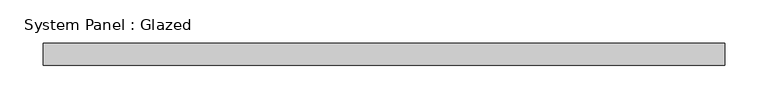
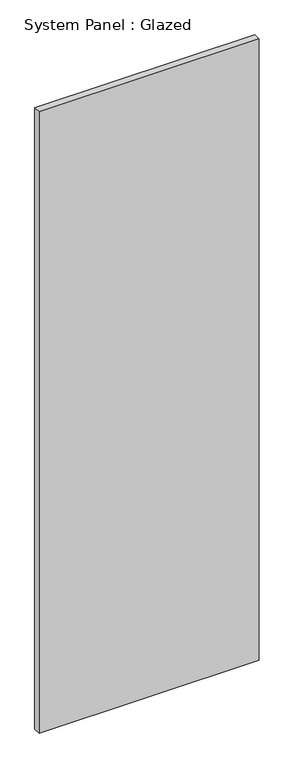
"""IFC4 building model written with IfcOpenShell, lengths in millimetres: plate geometry, System Panel : Glazed."""

from ifc_helpers import new_model, si_unit, origin, origin_with_axes, place, context, project, spatial, polyline, outline, extrude, source, transform, mapped, element, save


def system_panel_glazed_ae6a9b79(model_context):
    return source(origin(), model_context, "Body", "SweptSolid", [
        extrude(outline(polyline([(393.7, 0.0), (-393.7, 0.0), (-393.7, 25.4), (393.7, 25.4), (393.7, 0.0)])), origin_with_axes(), (0.0, 0.0, 1.0), 2349.5),
    ])


if __name__ == "__main__":
    model = new_model("IFC4")
    model_context = context("Model", 3, world=origin())
    ifc_project = project(units=[si_unit("LENGTHUNIT", "METRE", prefix="MILLI")], contexts=[model_context])
    site = spatial("IfcSite", under=ifc_project)
    building = spatial("IfcBuilding", under=site)
    placement = place(None, origin())
    system_panel_glazed_shape = system_panel_glazed_ae6a9b79(model_context)
    element("IfcPlate", 1, ObjectType="System Panel : Glazed", at=placement, inside=building, context=model_context, shape_type="MappedRepresentation", body=[
        mapped(system_panel_glazed_shape, transform((0.0, 0.0, 0.0), x_axis=(1.0, 0.0, 0.0), y_axis=(0.0, 1.0, 0.0), z_axis=(0.0, 0.0, 1.0))),
    ])
    save(model, "model.ifc")
